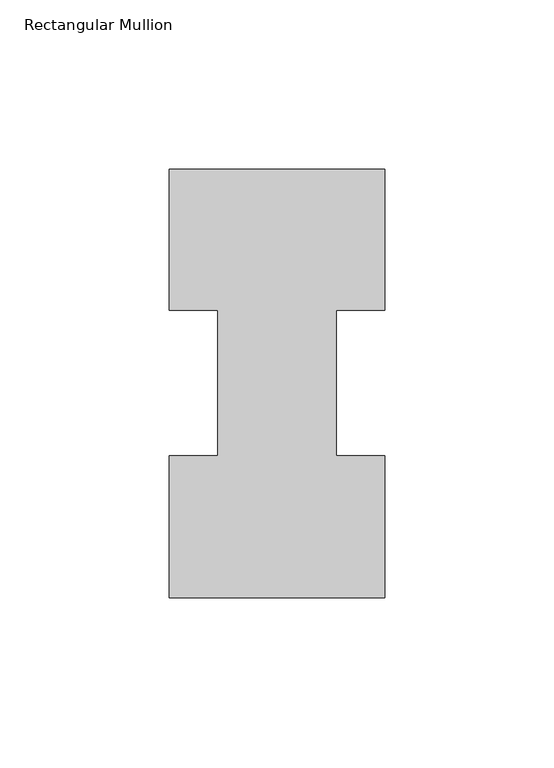
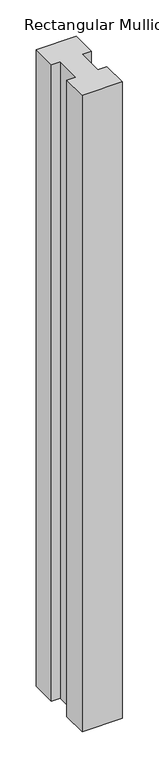
"""IFC4 building model written with IfcOpenShell, lengths in millimetres: member geometry, Rectangular Mullion."""

from ifc_helpers import new_model, si_unit, frame, origin, place, context, project, spatial, polyline, outline, extrude, source, transform, mapped, element, save


def rectangular_mullion_be853758(model_context):
    return source(origin(), model_context, "Body", "SweptSolid", [
        extrude(outline(polyline([(0.0, 126.7348875), (0.0, 85.1296875), (-14.2748, 85.1296875), (-14.2748, 42.2798875), (0.0, 42.2798875), (0.0, 0.2428875), (-63.5, 0.2428875), (-63.5, 42.2798875), (-49.2125, 42.2798875), (-49.2125, 85.1296875), (-63.5, 85.1296875), (-63.5, 126.7348875), (0.0, 126.7348875)])), frame((0.0, 0.0, -1069.5781712), z_axis=(0.0, 0.0, 1.0), x_axis=(1.0, 0.0, 0.0)), (0.0, 0.0, 1.0), 1069.5781712),
    ])


if __name__ == "__main__":
    model = new_model("IFC4")
    model_context = context("Model", 3, world=origin())
    ifc_project = project(units=[si_unit("LENGTHUNIT", "METRE", prefix="MILLI")], contexts=[model_context])
    site = spatial("IfcSite", under=ifc_project)
    building = spatial("IfcBuilding", under=site)
    placement = place(None, origin())
    rectangular_mullion_shape = rectangular_mullion_be853758(model_context)
    element("IfcMember", 1, ObjectType="Rectangular Mullion", at=placement, inside=building, context=model_context, shape_type="MappedRepresentation", body=[
        mapped(rectangular_mullion_shape, transform((0.0, 0.0, 0.0), x_axis=(1.0, 0.0, 0.0), y_axis=(0.0, 1.0, 0.0), z_axis=(0.0, 0.0, 1.0))),
    ])
    save(model, "model.ifc")
